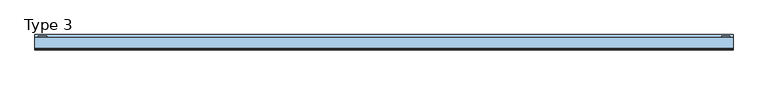
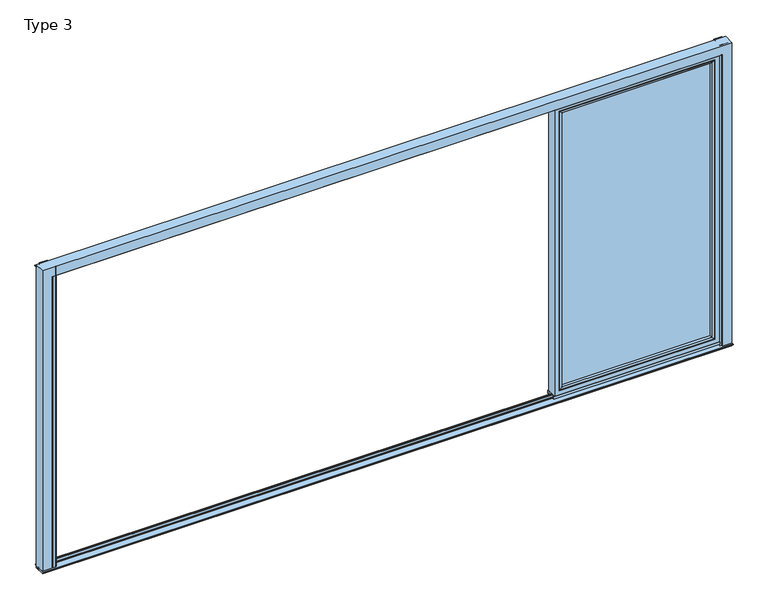
"""IFC4 building model written with IfcOpenShell, lengths in millimetres: window geometry, Type 3."""

from ifc_helpers import new_model, si_unit, point, frame, frame_2d, origin, origin_with_axes, place, context, project, spatial, polyline, circle_curve, ellipse_curve, trimmed, segment, composite_curve, outline, extrude, source, transform, mapped, element, save
from ifc_brep_helpers import plane_surface, cylinder_surface, advanced_brep


def type_3_044218d2(model_context):
    return source(origin(), model_context, "Body", "SolidModel", [
        advanced_brep(
        [(2500.0, -60.0, 2324.0), (2500.0, -60.0, 37.5), (2500.0, 20.0, 37.5), (2500.0, 20.0, 2324.0), (1264.375, -60.0, 37.5), (1264.375, 20.0, 37.5), (1264.375, 20.0, 2324.0), (1309.8746293, 20.0, 82.9996293), (2454.5003707, 20.0, 82.9996293), (2454.5003707, 20.0, 2278.5003707), (1309.8746293, 20.0, 2278.5003707), (1264.375, -60.0, 2324.0), (2468.0, -60.0, 69.5), (1296.375, -60.0, 69.5), (1296.375, -60.0, 2292.0), (2468.0, -60.0, 2292.0), (2468.0, 3.9999997, 2292.0), (2468.0, 3.9999997, 69.5), (1296.375, 3.9999997, 69.5), (1296.375, 3.9999997, 2292.0), (2449.999988, 3.9999997, 87.500012), (1314.375012, 3.9999997, 87.500012), (1314.375012, 3.9999997, 2273.999988), (2449.999988, 3.9999997, 2273.999988), (2449.999988, 15.4995565, 2273.999988), (2449.999988, 15.4995565, 87.500012), (1314.375012, 15.4995565, 87.500012), (1314.375012, 15.4995565, 2273.999988)],
        [
            (0, 1),
            (1, 2),
            (2, 3),
            (3, 0),
            (1, 4),
            (4, 5),
            (5, 2),
            (5, 6),
            (6, 3),
            (7, 8),
            (8, 9),
            (9, 10),
            (10, 7),
            (4, 11),
            (11, 6),
            (0, 11),
            (12, 13),
            (13, 14),
            (14, 15),
            (15, 12),
            (16, 17),
            (17, 12),
            (15, 16),
            (17, 18),
            (18, 13),
            (18, 19),
            (19, 14),
            (16, 19),
            (20, 21),
            (21, 22),
            (22, 23),
            (23, 20),
            (24, 25),
            (25, 20),
            (23, 24),
            (25, 26),
            (26, 21),
            (26, 27),
            (27, 22),
            (7, 26, ellipse_curve(frame((1309.8746293, 15.4995565, 82.9996293), z_axis=(0.7071067811865475, 0.0, -0.7071067811865475), x_axis=(0.7071067811865476, 0.0, 0.7071067811865474)), 6.3645023, 4.5003827)),
            (25, 8, ellipse_curve(frame((2454.5003707, 15.4995565, 82.9996293), z_axis=(-0.7071067811865475, 0.0, -0.7071067811865475), x_axis=(0.7071067811865476, 0.0, -0.7071067811865474)), 6.3645023, 4.5003827)),
            (24, 9, ellipse_curve(frame((2454.5003707, 15.4995565, 2278.5003707), z_axis=(0.7071067811865475, 0.0, -0.7071067811865475), x_axis=(0.7071067811865474, 0.0, 0.7071067811865476)), 6.3645023, 4.5003827)),
            (10, 27, ellipse_curve(frame((1309.8746293, 15.4995565, 2278.5003707), z_axis=(-0.7071067811865475, 0.0, -0.7071067811865475), x_axis=(0.7071067811865474, 0.0, -0.7071067811865476)), 6.3645023, 4.5003827)),
            (27, 24),
        ],
        [
            plane_surface(frame((2500.0, 20.0, 2324.0), z_axis=(1.0, 0.0, 0.0), x_axis=(0.0, 0.0, -1.0))),
            plane_surface(frame((2500.0, 20.0, 37.5), z_axis=(0.0, 0.0, -1.0), x_axis=(-1.0, 0.0, 0.0))),
            plane_surface(frame((2454.5003707, 20.0, 2278.5003707), z_axis=(0.0, 1.0, 0.0), x_axis=(0.0, 0.0, -1.0))),
            plane_surface(frame((1264.375, 20.0, 37.5), z_axis=(-1.0, 0.0, 0.0), x_axis=(0.0, 0.0, 1.0))),
            plane_surface(frame((2500.0, -60.0, 2324.0), z_axis=(0.0, -1.0, 0.0), x_axis=(0.0, 0.0, -1.0))),
            plane_surface(frame((2468.0, -60.0, 2292.0), z_axis=(-1.0, 0.0, 0.0), x_axis=(0.0, 0.0, -1.0))),
            plane_surface(frame((2468.0, -60.0, 69.5), z_axis=(0.0, 0.0, 1.0), x_axis=(-1.0, 0.0, 0.0))),
            plane_surface(frame((1296.375, -60.0, 69.5), z_axis=(1.0, 0.0, 0.0), x_axis=(0.0, 0.0, 1.0))),
            plane_surface(frame((2468.0, 3.9999997, 2292.0), z_axis=(0.0, -1.0, 0.0), x_axis=(0.0, 0.0, -1.0))),
            plane_surface(frame((2449.999988, 3.9999997, 2273.999988), z_axis=(-1.0, 0.0, 0.0), x_axis=(0.0, 0.0, -1.0))),
            plane_surface(frame((2449.999988, 3.9999997, 87.500012), z_axis=(0.0, 0.0, 1.0), x_axis=(-1.0, 0.0, 0.0))),
            plane_surface(frame((1314.375012, 3.9999997, 87.500012), z_axis=(1.0, 0.0, 0.0), x_axis=(0.0, 0.0, 1.0))),
            cylinder_surface(frame((2506.0, 15.4995565, 82.9996293), z_axis=(1.0, 0.0, 0.0), x_axis=(0.0, -1.0, 0.0)), 4.5003827),
            cylinder_surface(frame((2454.5003707, 15.4995565, 2330.0), z_axis=(0.0, 0.0, 1.0), x_axis=(0.0, -1.0, 0.0)), 4.5003827),
            cylinder_surface(frame((1309.8746293, 15.4995565, 31.5), z_axis=(0.0, 0.0, -1.0), x_axis=(0.0, -1.0, 0.0)), 4.5003827),
            plane_surface(frame((1264.375, 20.0, 2324.0), z_axis=(0.0, 0.0, 1.0), x_axis=(1.0, 0.0, 0.0))),
            plane_surface(frame((1296.375, -60.0, 2292.0), z_axis=(0.0, 0.0, -1.0), x_axis=(1.0, 0.0, 0.0))),
            plane_surface(frame((1314.375012, 3.9999997, 2273.999988), z_axis=(0.0, 0.0, -1.0), x_axis=(1.0, 0.0, 0.0))),
            cylinder_surface(frame((1258.375, 15.4995565, 2278.5003707), z_axis=(-1.0, 0.0, 0.0), x_axis=(0.0, -1.0, 0.0)), 4.5003827),
        ],
        [
            (0, [[1, 2, 3, 4]]),
            (1, [[5, 6, 7, -2]]),
            (2, [[-7, 8, 9, -3], [10, 11, 12, 13]]),
            (3, [[14, 15, -8, -6]]),
            (4, [[-5, -1, 16, -14], [17, 18, 19, 20]]),
            (5, [[21, 22, -20, 23]]),
            (6, [[24, 25, -17, -22]]),
            (7, [[26, 27, -18, -25]]),
            (8, [[-24, -21, 28, -26], [29, 30, 31, 32]]),
            (9, [[33, 34, -32, 35]]),
            (10, [[36, 37, -29, -34]]),
            (11, [[38, 39, -30, -37]]),
            (12, [[-10, 40, -36, 41]]),
            (13, [[-11, -41, -33, 42]]),
            (14, [[-13, 43, -38, -40]]),
            (15, [[-16, -4, -9, -15]]),
            (16, [[-28, -23, -19, -27]]),
            (17, [[44, -35, -31, -39]]),
            (18, [[-12, -42, -44, -43]]),
        ],
    ),
        extrude(outline(polyline([(2467.9996828, 3.9999997), (2467.9996828, -34.0000003), (1296.3753172, -34.0000003), (1296.3753172, 3.9999997), (2467.9996828, 3.9999997)])), frame((0.0, 0.0, 69.5003172), z_axis=(0.0, 0.0, 1.0), x_axis=(1.0, 0.0, 0.0)), (0.0, 0.0, 1.0), 2222.4993657),
        advanced_brep(
        [(1318.3748899, -54.5552044, 2270.0001101), (1318.3748899, -54.5552044, 91.4998899), (1318.3748899, -34.0000003, 91.4998899), (1318.3748899, -34.0000003, 2270.0001101), (1296.3753172, -34.0000003, 2291.9996828), (2467.9996828, -34.0000003, 2291.9996828), (2467.9996828, -34.0000003, 69.5003172), (1296.3753172, -34.0000003, 69.5003172), (2446.0001101, -34.0000003, 2270.0001101), (2446.0001101, -34.0000003, 91.4998899), (2446.0001101, -54.5552044, 91.4998899), (1317.6653465, -55.8045072, 2270.7096535), (1317.6653465, -55.8045072, 90.7903465), (2446.7096535, -55.8045072, 90.7903465), (1302.3752561, -60.0, 2285.9997439), (1302.3752561, -60.0, 75.5002561), (2461.9997439, -60.0, 75.5002561), (2467.9996828, -60.0, 2291.9996828), (1296.3753172, -60.0, 2291.9996828), (1296.3753172, -60.0, 69.5003172), (2467.9996828, -60.0, 69.5003172), (2461.9997439, -60.0, 2285.9997439), (2446.0001101, -54.5552044, 2270.0001101), (2446.7096535, -55.8045072, 2270.7096535)],
        [
            (0, 1),
            (1, 2),
            (2, 3),
            (3, 0),
            (4, 5),
            (5, 6),
            (6, 7),
            (7, 4),
            (8, 3),
            (2, 9),
            (9, 8),
            (1, 10),
            (10, 9),
            (11, 12),
            (12, 1, ellipse_curve(frame((1316.9202859, -54.5552044, 90.0452859), z_axis=(-0.7071067811865475, 0.0, 0.7071067811865475), x_axis=(0.7071067811865474, 0.0, 0.7071067811865476)), 2.0571207, 1.454604)),
            (0, 11, ellipse_curve(frame((1316.9202859, -54.5552044, 2271.4547141), z_axis=(-0.7071067811865475, 0.0, -0.7071067811865475), x_axis=(-0.7071067811865474, 0.0, 0.7071067811865476)), 2.0571207, 1.454604)),
            (12, 13),
            (13, 10, ellipse_curve(frame((2447.4547141, -54.5552044, 90.0452859), z_axis=(-0.7071067811865475, 0.0, -0.7071067811865475), x_axis=(-0.7071067811865476, 0.0, 0.7071067811865474)), 2.0571207, 1.454604)),
            (14, 15),
            (15, 12, ellipse_curve(frame((1302.4391917, -30.2735922, 75.5641917), z_axis=(-0.7071067811865475, 0.0, 0.7071067811865475), x_axis=(0.7071067811865474, 0.0, 0.7071067811865476)), 42.0395863, 29.7264765)),
            (11, 14, ellipse_curve(frame((1302.4391917, -30.2735922, 2285.9358083), z_axis=(-0.7071067811865475, 0.0, -0.7071067811865475), x_axis=(-0.7071067811865474, 0.0, 0.7071067811865476)), 42.0395863, 29.7264765)),
            (15, 16),
            (16, 13, ellipse_curve(frame((2461.9358083, -30.2735922, 75.5641917), z_axis=(-0.7071067811865475, 0.0, -0.7071067811865475), x_axis=(-0.7071067811865476, 0.0, 0.7071067811865474)), 42.0395863, 29.7264765)),
            (17, 18),
            (18, 19),
            (19, 20),
            (20, 17),
            (14, 21),
            (21, 16),
            (7, 19),
            (18, 4),
            (6, 20),
            (10, 22),
            (22, 8),
            (13, 23),
            (23, 22, ellipse_curve(frame((2447.4547141, -54.5552044, 2271.4547141), z_axis=(0.7071067811865475, 0.0, -0.7071067811865475), x_axis=(-0.7071067811865474, 0.0, -0.7071067811865476)), 2.0571207, 1.454604)),
            (21, 23, ellipse_curve(frame((2461.9358083, -30.2735922, 2285.9358083), z_axis=(0.7071067811865475, 0.0, -0.7071067811865475), x_axis=(-0.7071067811865474, 0.0, -0.7071067811865476)), 42.0395863, 29.7264765)),
            (5, 17),
            (22, 0),
            (23, 11),
        ],
        [
            plane_surface(frame((1318.3748899, -34.0000003, 2270.0001101), z_axis=(1.0, 0.0, 0.0), x_axis=(0.0, 0.0, -1.0))),
            plane_surface(frame((2467.9996828, -34.0000003, 69.5003172), z_axis=(0.0, 1.0, 0.0), x_axis=(0.0, 0.0, 1.0))),
            plane_surface(frame((1318.3748899, -34.0000003, 91.4998899), z_axis=(0.0, 0.0, 1.0), x_axis=(1.0, 0.0, 0.0))),
            cylinder_surface(frame((1316.9202859, -54.5552044, 2273.999988), z_axis=(0.0, 0.0, 1.0), x_axis=(-1.0, 0.0, 0.0)), 1.454604),
            cylinder_surface(frame((1314.375012, -54.5552044, 90.0452859), z_axis=(-1.0, 0.0, 0.0), x_axis=(0.0, 0.0, -1.0)), 1.454604),
            cylinder_surface(frame((1302.4391917, -30.2735922, 2273.999988), z_axis=(0.0, 0.0, 1.0), x_axis=(-1.0, 0.0, 0.0)), 29.7264765),
            cylinder_surface(frame((1314.375012, -30.2735922, 75.5641917), z_axis=(-1.0, 0.0, 0.0), x_axis=(0.0, 0.0, -1.0)), 29.7264765),
            plane_surface(frame((2461.9997439, -60.0, 75.5002561), z_axis=(0.0, -1.0, 0.0), x_axis=(0.0, 0.0, 1.0))),
            plane_surface(frame((1296.3753172, -60.0, 2291.9996828), z_axis=(-1.0, 0.0, 0.0), x_axis=(0.0, 0.0, -1.0))),
            plane_surface(frame((1296.3753172, -60.0, 69.5003172), z_axis=(0.0, 0.0, -1.0), x_axis=(1.0, 0.0, 0.0))),
            plane_surface(frame((2446.0001101, -34.0000003, 91.4998899), z_axis=(-1.0, 0.0, 0.0), x_axis=(0.0, 0.0, 1.0))),
            cylinder_surface(frame((2447.4547141, -54.5552044, 87.500012), z_axis=(0.0, 0.0, -1.0), x_axis=(1.0, 0.0, 0.0)), 1.454604),
            cylinder_surface(frame((2461.9358083, -30.2735922, 87.500012), z_axis=(0.0, 0.0, -1.0), x_axis=(1.0, 0.0, 0.0)), 29.7264765),
            plane_surface(frame((2467.9996828, -60.0, 69.5003172), z_axis=(1.0, 0.0, 0.0), x_axis=(0.0, 0.0, 1.0))),
            plane_surface(frame((2446.0001101, -34.0000003, 2270.0001101), z_axis=(0.0, 0.0, -1.0), x_axis=(-1.0, 0.0, 0.0))),
            cylinder_surface(frame((2449.999988, -54.5552044, 2271.4547141), z_axis=(1.0, 0.0, 0.0), x_axis=(0.0, 0.0, 1.0)), 1.454604),
            cylinder_surface(frame((2449.999988, -30.2735922, 2285.9358083), z_axis=(1.0, 0.0, 0.0), x_axis=(0.0, 0.0, 1.0)), 29.7264765),
            plane_surface(frame((2467.9996828, -60.0, 2291.9996828), z_axis=(0.0, 0.0, 1.0), x_axis=(-1.0, 0.0, 0.0))),
        ],
        [
            (0, [[1, 2, 3, 4]]),
            (1, [[5, 6, 7, 8], [9, -3, 10, 11]]),
            (2, [[12, 13, -10, -2]]),
            (3, [[14, 15, -1, 16]]),
            (4, [[17, 18, -12, -15]]),
            (5, [[19, 20, -14, 21]]),
            (6, [[22, 23, -17, -20]]),
            (7, [[24, 25, 26, 27], [28, 29, -22, -19]]),
            (8, [[-8, 30, -25, 31]]),
            (9, [[-7, 32, -26, -30]]),
            (10, [[33, 34, -11, -13]]),
            (11, [[35, 36, -33, -18]]),
            (12, [[-29, 37, -35, -23]]),
            (13, [[-6, 38, -27, -32]]),
            (14, [[39, -4, -9, -34]]),
            (15, [[40, -16, -39, -36]]),
            (16, [[-28, -21, -40, -37]]),
            (17, [[-5, -31, -24, -38]]),
        ],
    ),
        extrude(outline(composite_curve([segment(polyline([(20.0, 2362.5), (20.0, 2324.0), (10.0, 2324.0), (10.0, 2365.0), (17.5, 2365.0)]), True, "CONTINUOUS"), segment(trimmed(circle_curve(frame_2d((17.5, 2362.5)), 2.5), [point((17.5, 2365.0))], [point((20.0, 2362.5))], False, "CARTESIAN"), True, "CONTINUOUS")], self_intersect=False)), frame((1258.375, 0.0, 0.0), z_axis=(1.0, 0.0, 0.0), x_axis=(0.0, 1.0, 0.0)), (0.0, 0.0, 1.0), 1247.625),
        extrude(outline(polyline([(1258.375, 20.0), (2506.0, 20.0), (2506.0, 10.0), (1258.375, 10.0), (1258.375, 20.0)])), frame((0.0, 0.0, 15.5), z_axis=(0.0, 0.0, 1.0), x_axis=(1.0, 0.0, 0.0)), (0.0, 0.0, 1.0), 22.0),
        extrude(outline(polyline([(1258.375, -50.0), (2506.0, -50.0), (2506.0, -60.0), (1258.375, -60.0), (1258.375, -50.0)])), frame((0.0, 0.0, 15.5), z_axis=(0.0, 0.0, 1.0), x_axis=(1.0, 0.0, 0.0)), (0.0, 0.0, 1.0), 22.0),
        advanced_brep(
        [(2590.0, -70.0, 0.0), (2519.5, -70.0, 0.0), (2517.0, -67.5, 0.0), (2517.0, -60.0000153, 0.0), (2559.5, -60.0000153, 0.0), (2559.5, -31.8999908, 0.0), (2554.3999924, -31.8999908, 0.0), (2554.3999924, -22.3000153, 0.0), (2565.9997864, -22.3000153, 0.0), (2565.9997864, 0.1999847, 0.0), (2554.3999924, 0.1999847, 0.0), (2554.3999924, 9.9999847, 0.0), (2590.0, 9.9999847, 0.0), (2590.0, -70.0, 2390.0), (-2590.0, -70.0, 2390.0), (-2590.0, -70.0, 0.0), (-2519.5, -70.0, 0.0), (-2519.5, -70.0, 2319.5), (2519.5, -70.0, 2319.5), (2517.0, -67.5, 2317.0), (2517.0, -60.0000153, 2317.0), (-2517.0, -60.0000153, 2317.0), (-2517.0, -60.0000153, 0.0), (-2559.5, -60.0000153, 0.0), (-2559.5, -60.0000153, 2359.5), (2559.5, -60.0000153, 2359.5), (2559.5, -31.8999908, 2359.5), (-2559.5, -31.8999908, 2359.5), (-2559.5, -31.8999908, 0.0), (-2554.3999924, -31.8999908, 0.0), (-2554.3999924, -31.8999908, 2354.3999924), (2554.3999924, -31.8999908, 2354.3999924), (2554.3999924, -22.3000153, 2354.3999924), (-2554.3999924, -22.3000153, 2354.3999924), (-2554.3999924, -22.3000153, 0.0), (-2565.9997864, -22.3000153, 0.0), (-2565.9997864, -22.3000153, 2365.9997864), (2565.9997864, -22.3000153, 2365.9997864), (2565.9997864, 0.1999847, 2365.9997864), (-2565.9997864, 0.1999847, 2365.9997864), (-2565.9997864, 0.1999847, 0.0), (-2554.3999924, 0.1999847, 0.0), (-2554.3999924, 0.1999847, 2354.3999924), (2554.3999924, 0.1999847, 2354.3999924), (2554.3999924, 9.9999847, 2354.3999924), (-2554.3999924, 9.9999847, 2354.3999924), (-2554.3999924, 9.9999847, 0.0), (-2590.0, 9.9999847, 0.0), (-2590.0, 9.9999847, 2390.0), (2590.0, 9.9999847, 2390.0), (-2517.0, -67.5, 0.0), (-2517.0, -67.5, 2317.0)],
        [
            (0, 1),
            (1, 2, circle_curve(frame((2519.5, -67.5, 0.0), z_axis=(0.0, 0.0, -1.0), x_axis=(0.0, -1.0, 0.0)), 2.5)),
            (2, 3),
            (3, 4),
            (4, 5),
            (5, 6),
            (6, 7),
            (7, 8),
            (8, 9),
            (9, 10),
            (10, 11),
            (11, 12),
            (12, 0),
            (0, 13),
            (13, 14),
            (14, 15),
            (15, 16),
            (16, 17),
            (17, 18),
            (18, 1),
            (18, 19, ellipse_curve(frame((2519.5, -67.5, 2319.5), z_axis=(0.7071067811865475, 0.0, -0.7071067811865475), x_axis=(-0.7071067811865474, 0.0, -0.7071067811865476)), 3.5355339, 2.5)),
            (19, 2),
            (19, 20),
            (20, 3),
            (20, 21),
            (21, 22),
            (22, 23),
            (23, 24),
            (24, 25),
            (25, 4),
            (25, 26),
            (26, 5),
            (26, 27),
            (27, 28),
            (28, 29),
            (29, 30),
            (30, 31),
            (31, 6),
            (31, 32),
            (32, 7),
            (32, 33),
            (33, 34),
            (34, 35),
            (35, 36),
            (36, 37),
            (37, 8),
            (37, 38),
            (38, 9),
            (38, 39),
            (39, 40),
            (40, 41),
            (41, 42),
            (42, 43),
            (43, 10),
            (43, 44),
            (44, 11),
            (44, 45),
            (45, 46),
            (46, 47),
            (47, 48),
            (48, 49),
            (49, 12),
            (49, 13),
            (15, 47),
            (46, 41),
            (40, 35),
            (34, 29),
            (28, 23),
            (22, 50),
            (50, 16, circle_curve(frame((-2519.5, -67.5, 0.0), z_axis=(0.0, 0.0, -1.0), x_axis=(0.0, -1.0, 0.0)), 2.5)),
            (14, 48),
            (45, 42),
            (39, 36),
            (33, 30),
            (27, 24),
            (21, 51),
            (51, 50),
            (51, 17, ellipse_curve(frame((-2519.5, -67.5, 2319.5), z_axis=(-0.7071067811865475, 0.0, -0.7071067811865475), x_axis=(-0.7071067811865474, 0.0, 0.7071067811865476)), 3.5355339, 2.5)),
            (51, 19),
        ],
        [
            plane_surface(frame((2590.0, -70.0, 0.0), z_axis=(0.0, 0.0, -1.0), x_axis=(0.0, -1.0, 0.0))),
            plane_surface(frame((2590.0, -70.0, 0.0), z_axis=(0.0, -1.0, 0.0), x_axis=(0.0, 0.0, 1.0))),
            cylinder_surface(frame((2519.5, -67.5, 0.0), z_axis=(0.0, 0.0, -1.0), x_axis=(0.0, -1.0, 0.0)), 2.5),
            plane_surface(frame((2517.0, -67.5, 0.0), z_axis=(-1.0, 0.0, 0.0), x_axis=(0.0, 0.0, 1.0))),
            plane_surface(frame((2517.0, -60.0000153, 0.0), z_axis=(0.0, 1.0, 0.0), x_axis=(0.0, 0.0, 1.0))),
            plane_surface(frame((2559.5, -60.0000153, 0.0), z_axis=(-1.0, 0.0, 0.0), x_axis=(0.0, 0.0, 1.0))),
            plane_surface(frame((2559.5, -31.8999908, 0.0), z_axis=(0.0, -1.0, 0.0), x_axis=(0.0, 0.0, 1.0))),
            plane_surface(frame((2554.3999924, -31.8999908, 0.0), z_axis=(-1.0, 0.0, 0.0), x_axis=(0.0, 0.0, 1.0))),
            plane_surface(frame((2554.3999924, -22.3000153, 0.0), z_axis=(0.0, 1.0, 0.0), x_axis=(0.0, 0.0, 1.0))),
            plane_surface(frame((2565.9997864, -22.3000153, 0.0), z_axis=(-1.0, 0.0, 0.0), x_axis=(0.0, 0.0, 1.0))),
            plane_surface(frame((2565.9997864, 0.1999847, 0.0), z_axis=(0.0, -1.0, 0.0), x_axis=(0.0, 0.0, 1.0))),
            plane_surface(frame((2554.3999924, 0.1999847, 0.0), z_axis=(-1.0, 0.0, 0.0), x_axis=(0.0, 0.0, 1.0))),
            plane_surface(frame((2554.3999924, 9.9999847, 0.0), z_axis=(0.0, 1.0, 0.0), x_axis=(0.0, 0.0, 1.0))),
            plane_surface(frame((2590.0, 9.9999847, 0.0), z_axis=(1.0, 0.0, 0.0), x_axis=(0.0, 0.0, 1.0))),
            plane_surface(frame((-2590.0, -70.0, 0.0), z_axis=(0.0, 0.0, -1.0), x_axis=(0.0, -1.0, 0.0))),
            plane_surface(frame((-2590.0, 9.9999847, 2390.0), z_axis=(-1.0, 0.0, 0.0), x_axis=(0.0, 0.0, -1.0))),
            plane_surface(frame((-2554.3999924, 0.1999847, 2354.3999924), z_axis=(1.0, 0.0, 0.0), x_axis=(0.0, 0.0, -1.0))),
            plane_surface(frame((-2565.9997864, -22.3000153, 2365.9997864), z_axis=(1.0, 0.0, 0.0), x_axis=(0.0, 0.0, -1.0))),
            plane_surface(frame((-2554.3999924, -31.8999908, 2354.3999924), z_axis=(1.0, 0.0, 0.0), x_axis=(0.0, 0.0, -1.0))),
            plane_surface(frame((-2559.5, -60.0000153, 2359.5), z_axis=(1.0, 0.0, 0.0), x_axis=(0.0, 0.0, -1.0))),
            plane_surface(frame((-2517.0, -67.5, 2317.0), z_axis=(1.0, 0.0, 0.0), x_axis=(0.0, 0.0, -1.0))),
            cylinder_surface(frame((-2519.5, -67.5, 2390.0), z_axis=(0.0, 0.0, 1.0), x_axis=(0.0, -1.0, 0.0)), 2.5),
            plane_surface(frame((2590.0, 9.9999847, 2390.0), z_axis=(0.0, 0.0, 1.0), x_axis=(-1.0, 0.0, 0.0))),
            cylinder_surface(frame((2590.0, -67.5, 2319.5), z_axis=(1.0, 0.0, 0.0), x_axis=(0.0, -1.0, 0.0)), 2.5),
            plane_surface(frame((2517.0, -67.5, 2317.0), z_axis=(0.0, 0.0, -1.0), x_axis=(-1.0, 0.0, 0.0))),
            plane_surface(frame((2559.5, -60.0000153, 2359.5), z_axis=(0.0, 0.0, -1.0), x_axis=(-1.0, 0.0, 0.0))),
            plane_surface(frame((2554.3999924, -31.8999908, 2354.3999924), z_axis=(0.0, 0.0, -1.0), x_axis=(-1.0, 0.0, 0.0))),
            plane_surface(frame((2565.9997864, -22.3000153, 2365.9997864), z_axis=(0.0, 0.0, -1.0), x_axis=(-1.0, 0.0, 0.0))),
            plane_surface(frame((2554.3999924, 0.1999847, 2354.3999924), z_axis=(0.0, 0.0, -1.0), x_axis=(-1.0, 0.0, 0.0))),
        ],
        [
            (0, [[1, 2, 3, 4, 5, 6, 7, 8, 9, 10, 11, 12, 13]]),
            (1, [[-1, 14, 15, 16, 17, 18, 19, 20]]),
            (2, [[-2, -20, 21, 22]]),
            (3, [[-3, -22, 23, 24]]),
            (4, [[-4, -24, 25, 26, 27, 28, 29, 30]]),
            (5, [[-5, -30, 31, 32]]),
            (6, [[-6, -32, 33, 34, 35, 36, 37, 38]]),
            (7, [[-7, -38, 39, 40]]),
            (8, [[-8, -40, 41, 42, 43, 44, 45, 46]]),
            (9, [[-9, -46, 47, 48]]),
            (10, [[-10, -48, 49, 50, 51, 52, 53, 54]]),
            (11, [[-11, -54, 55, 56]]),
            (12, [[-12, -56, 57, 58, 59, 60, 61, 62]]),
            (13, [[-13, -62, 63, -14]]),
            (14, [[64, -59, 65, -51, 66, -43, 67, -35, 68, -27, 69, 70, -17]]),
            (15, [[71, -60, -64, -16]]),
            (16, [[72, -52, -65, -58]]),
            (17, [[73, -44, -66, -50]]),
            (18, [[74, -36, -67, -42]]),
            (19, [[75, -28, -68, -34]]),
            (20, [[76, 77, -69, -26]]),
            (21, [[78, -18, -70, -77]]),
            (22, [[-63, -61, -71, -15]]),
            (23, [[-21, -19, -78, 79]]),
            (24, [[-23, -79, -76, -25]]),
            (25, [[-31, -29, -75, -33]]),
            (26, [[-39, -37, -74, -41]]),
            (27, [[-47, -45, -73, -49]]),
            (28, [[-55, -53, -72, -57]]),
        ],
    ),
        extrude(outline(composite_curve([segment(polyline([(2565.0, 17.5), (2565.0, 10.0), (2565.9997864, 10.0), (2565.9997864, -60.0), (2506.0, -60.0), (2506.0, 20.0), (2562.5, 20.0)]), True, "CONTINUOUS"), segment(trimmed(circle_curve(frame_2d((2562.5, 17.5)), 2.5), [point((2562.5, 20.0))], [point((2565.0, 17.5))], False, "CARTESIAN"), True, "CONTINUOUS")], self_intersect=False)), origin_with_axes(), (0.0, 0.0, 1.0), 2390.0),
        extrude(outline(composite_curve([segment(trimmed(circle_curve(frame_2d((-2562.5, 17.5)), 2.5), [point((-2565.0, 17.5))], [point((-2562.5, 20.0))], False, "CARTESIAN"), True, "CONTINUOUS"), segment(polyline([(-2562.5, 20.0), (-2501.5, 20.0), (-2501.5, -60.0), (-2488.0, -60.0), (-2488.0, -67.4999847)]), True, "CONTINUOUS"), segment(trimmed(circle_curve(frame_2d((-2490.5, -67.4999847)), 2.5), [point((-2488.0, -67.4999847))], [point((-2490.5, -69.9999847))], False, "CARTESIAN"), True, "CONTINUOUS"), segment(polyline([(-2490.5, -69.9999847), (-2509.0, -69.9999847), (-2509.0, -60.0), (-2565.9997864, -60.0), (-2565.9997864, 10.0), (-2565.0, 10.0), (-2565.0, 17.5)]), True, "CONTINUOUS")], self_intersect=False)), origin_with_axes(), (0.0, 0.0, 1.0), 2390.0),
        extrude(outline(polyline([(30.2279949, 2375.5006958), (30.2279949, 2371.1777082), (9.9999847, 2371.1777082), (9.9999847, 2383.6755792), (30.2279949, 2375.5006958)])), frame((-2590.0, 0.0, 0.0), z_axis=(1.0, 0.0, 0.0), x_axis=(0.0, 1.0, 0.0)), (0.0, 0.0, 1.0), 5180.0),
        extrude(outline(polyline([(-22.3000481, 7.0999832), (-22.3000481, -9.9), (0.1999756, -9.9), (0.1999756, 7.0999832), (7.600061, 7.0999832), (7.600061, 3.5), (20.7378222, 3.5), (25.0, 1.0392305), (25.0, 0.0), (10.0, 0.0), (10.0, -18.0), (-70.0, -18.0), (-70.0, 0.0), (-85.0, 0.0), (-85.0, 1.0392305), (-80.7378222, 3.5), (-29.7001335, 3.5), (-29.7001335, 7.0999832), (-22.3000481, 7.0999832)])), frame((-2590.0, 0.0, 0.0), z_axis=(1.0, 0.0, 0.0), x_axis=(0.0, 1.0, 0.0)), (0.0, 0.0, 1.0), 5180.0),
    ])


if __name__ == "__main__":
    model = new_model("IFC4")
    model_context = context("Model", 3, world=origin())
    ifc_project = project(units=[si_unit("LENGTHUNIT", "METRE", prefix="MILLI")], contexts=[model_context])
    site = spatial("IfcSite", under=ifc_project)
    building = spatial("IfcBuilding", under=site)
    placement = place(None, origin())
    type_3_shape = type_3_044218d2(model_context)
    element("IfcWindow", 1, ObjectType="Type 3", at=placement, inside=building, context=model_context, shape_type="MappedRepresentation", body=[
        mapped(type_3_shape, transform((0.0, 0.0, 0.0), x_axis=(1.0, 0.0, 0.0), y_axis=(0.0, 1.0, 0.0), z_axis=(0.0, 0.0, 1.0))),
    ])
    save(model, "model.ifc")
